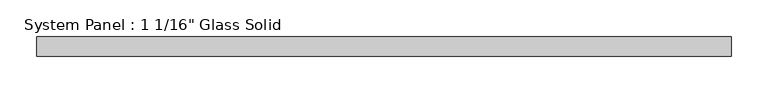
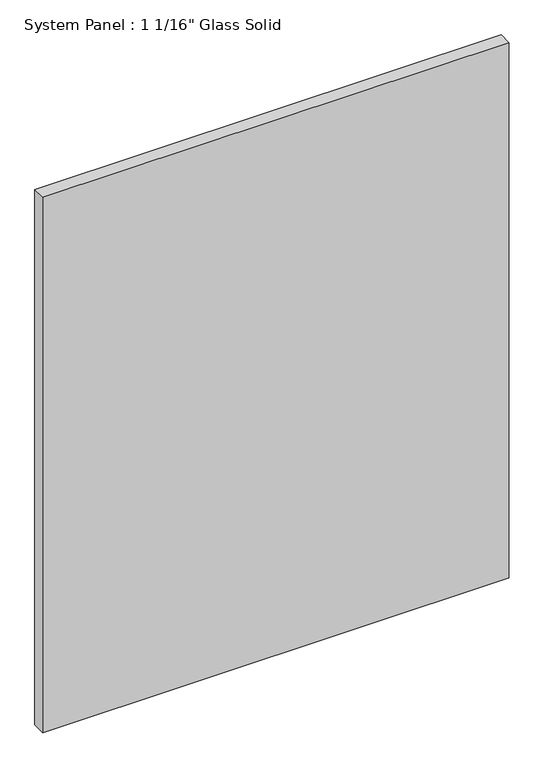
"""IFC4 building model written with IfcOpenShell, lengths in millimetres: plate geometry."""

from ifc_helpers import new_model, si_unit, origin, origin_with_axes, place, context, project, spatial, polyline, outline, extrude, source, transform, mapped, element, save


def plate_0b6ffc45(model_context):
    return source(origin(), model_context, "Body", "SweptSolid", [
        extrude(outline(polyline([(475.6720691, -13.49375), (-475.6720691, -13.49375), (-475.6720691, 13.49375), (475.6720691, 13.49375), (475.6720691, -13.49375)])), origin_with_axes(), (0.0, 0.0, 1.0), 1154.5441382),
    ])


if __name__ == "__main__":
    model = new_model("IFC4")
    model_context = context("Model", 3, world=origin())
    ifc_project = project(units=[si_unit("LENGTHUNIT", "METRE", prefix="MILLI")], contexts=[model_context])
    site = spatial("IfcSite", under=ifc_project)
    building = spatial("IfcBuilding", under=site)
    placement = place(None, origin())
    plate_shape = plate_0b6ffc45(model_context)
    element("IfcPlate", 1, ObjectType="System Panel : 1 1/16\" Glass Solid", at=placement, inside=building, context=model_context, shape_type="MappedRepresentation", body=[
        mapped(plate_shape, transform((0.0, 0.0, 0.0), x_axis=(1.0, 0.0, 0.0), y_axis=(0.0, 1.0, 0.0), z_axis=(0.0, 0.0, 1.0))),
    ])
    save(model, "model.ifc")
